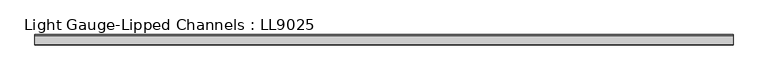
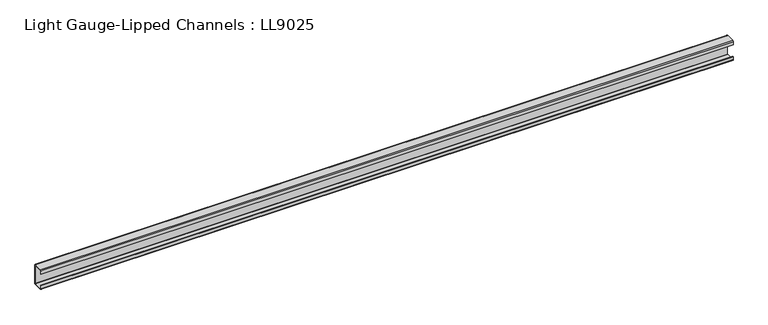
"""IFC4 building model written with IfcOpenShell, lengths in millimetres: beam geometry, Light Gauge-Lipped Channels : LL9025."""

from ifc_helpers import new_model, si_unit, point, frame, frame_2d, origin, place, context, project, spatial, polyline, circle_curve, trimmed, segment, composite_curve, outline, extrude, source, transform, mapped, element, save


def light_gauge_lipped_channels_ll9025_365811df(model_context):
    return source(origin(), model_context, "Body", "SweptSolid", [
        extrude(outline(composite_curve([segment(trimmed(circle_curve(frame_2d((14.7, -41.5)), 3.5), [point((18.2, -41.5))], [point((14.7, -45.0))], False, "CARTESIAN"), True, "CONTINUOUS"), segment(polyline([(14.7, -45.0), (-23.3, -45.0)]), True, "CONTINUOUS"), segment(trimmed(circle_curve(frame_2d((-23.3, -41.5)), 3.5), [point((-23.3, -45.0))], [point((-26.8, -41.5))], False, "CARTESIAN"), True, "CONTINUOUS"), segment(polyline([(-26.8, -41.5), (-26.8, -27.0), (-24.3, -27.0), (-24.3, -41.5)]), True, "CONTINUOUS"), segment(trimmed(circle_curve(frame_2d((-23.3, -41.5)), 1.0), [point((-24.3, -41.5))], [point((-23.3, -42.5))], True, "CARTESIAN"), True, "CONTINUOUS"), segment(polyline([(-23.3, -42.5), (14.7, -42.5)]), True, "CONTINUOUS"), segment(trimmed(circle_curve(frame_2d((14.7, -41.5)), 1.0), [point((14.7, -42.5))], [point((15.7, -41.5))], True, "CARTESIAN"), True, "CONTINUOUS"), segment(polyline([(15.7, -41.5), (15.7, 41.5)]), True, "CONTINUOUS"), segment(trimmed(circle_curve(frame_2d((14.7, 41.5)), 1.0), [point((15.7, 41.5))], [point((14.7, 42.5))], True, "CARTESIAN"), True, "CONTINUOUS"), segment(polyline([(14.7, 42.5), (-23.3, 42.5)]), True, "CONTINUOUS"), segment(trimmed(circle_curve(frame_2d((-23.3, 41.5)), 1.0), [point((-23.3, 42.5))], [point((-24.3, 41.5))], True, "CARTESIAN"), True, "CONTINUOUS"), segment(polyline([(-24.3, 41.5), (-24.3, 27.0), (-26.8, 27.0), (-26.8, 41.5)]), True, "CONTINUOUS"), segment(trimmed(circle_curve(frame_2d((-23.3, 41.5)), 3.5), [point((-26.8, 41.5))], [point((-23.3, 45.0))], False, "CARTESIAN"), True, "CONTINUOUS"), segment(polyline([(-23.3, 45.0), (14.7, 45.0)]), True, "CONTINUOUS"), segment(trimmed(circle_curve(frame_2d((14.7, 41.5)), 3.5), [point((14.7, 45.0))], [point((18.2, 41.5))], False, "CARTESIAN"), True, "CONTINUOUS"), segment(polyline([(18.2, 41.5), (18.2, -41.5)]), True, "CONTINUOUS")], self_intersect=False)), frame((-1500.0, 0.0, 0.0), z_axis=(1.0, 0.0, 0.0), x_axis=(0.0, 1.0, 0.0)), (0.0, 0.0, 1.0), 3000.0),
    ])


if __name__ == "__main__":
    model = new_model("IFC4")
    model_context = context("Model", 3, world=origin())
    ifc_project = project(units=[si_unit("LENGTHUNIT", "METRE", prefix="MILLI")], contexts=[model_context])
    site = spatial("IfcSite", under=ifc_project)
    building = spatial("IfcBuilding", under=site)
    placement = place(None, origin())
    light_gauge_lipped_channels_ll9025_shape = light_gauge_lipped_channels_ll9025_365811df(model_context)
    element("IfcBeam", 1, ObjectType="Light Gauge-Lipped Channels : LL9025", at=placement, inside=building, context=model_context, shape_type="MappedRepresentation", body=[
        mapped(light_gauge_lipped_channels_ll9025_shape, transform((0.0, 0.0, 0.0), x_axis=(1.0, 0.0, 0.0), y_axis=(0.0, 1.0, 0.0), z_axis=(0.0, 0.0, 1.0))),
    ])
    save(model, "model.ifc")
